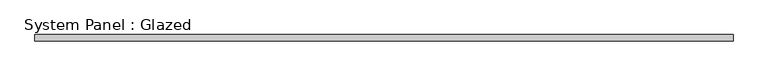
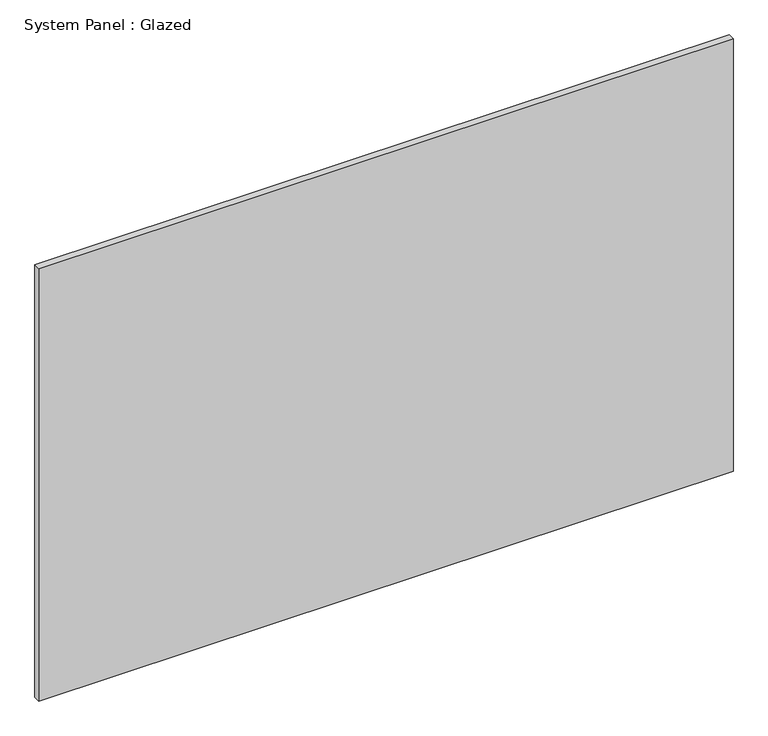
"""IFC4 building model written with IfcOpenShell, lengths in millimetres: plate geometry, System Panel : Glazed."""

from ifc_helpers import new_model, si_unit, origin, origin_with_axes, place, context, project, spatial, polyline, outline, extrude, source, transform, mapped, element, save


def system_panel_glazed_1d7ff9c4(model_context):
    return source(origin(), model_context, "Body", "SweptSolid", [
        extrude(outline(polyline([(1350.0, 24.5), (-1350.0, 24.5), (-1350.0, 49.5), (1350.0, 49.5), (1350.0, 24.5)])), origin_with_axes(), (0.0, 0.0, 1.0), 1777.7777778),
    ])


if __name__ == "__main__":
    model = new_model("IFC4")
    model_context = context("Model", 3, world=origin())
    ifc_project = project(units=[si_unit("LENGTHUNIT", "METRE", prefix="MILLI")], contexts=[model_context])
    site = spatial("IfcSite", under=ifc_project)
    building = spatial("IfcBuilding", under=site)
    placement = place(None, origin())
    system_panel_glazed_shape = system_panel_glazed_1d7ff9c4(model_context)
    element("IfcPlate", 1, ObjectType="System Panel : Glazed", at=placement, inside=building, context=model_context, shape_type="MappedRepresentation", body=[
        mapped(system_panel_glazed_shape, transform((0.0, 0.0, 0.0), x_axis=(1.0, 0.0, 0.0), y_axis=(0.0, 1.0, 0.0), z_axis=(0.0, 0.0, 1.0))),
    ])
    save(model, "model.ifc")
